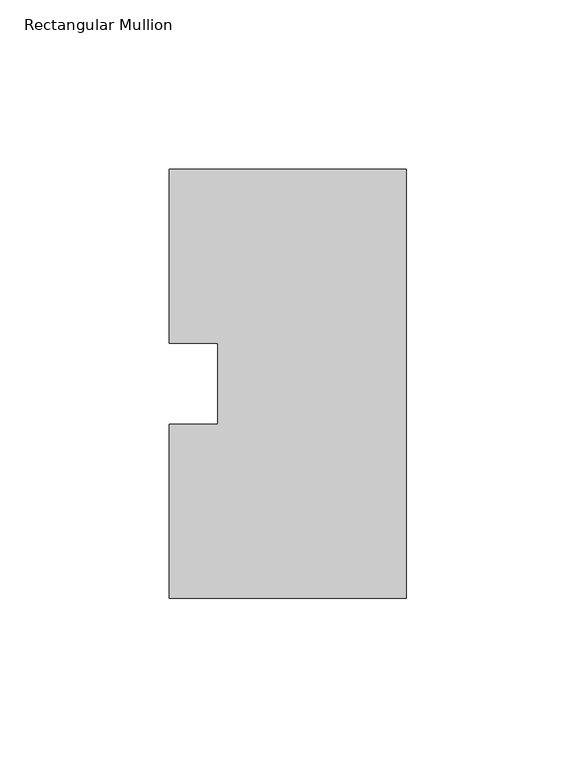
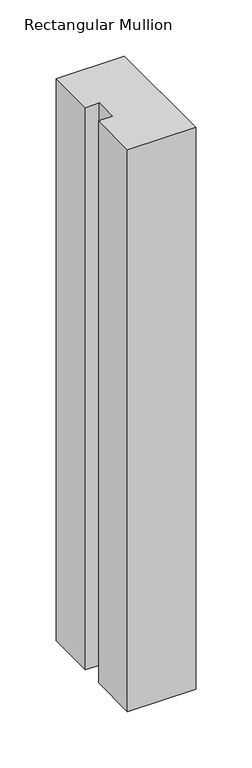
"""IFC4 building model written with IfcOpenShell, lengths in millimetres: member geometry, Rectangular Mullion."""

from ifc_helpers import new_model, si_unit, frame, origin, place, context, project, spatial, polyline, outline, extrude, source, transform, mapped, element, save


def rectangular_mullion_93dfd026(model_context):
    return source(origin(), model_context, "Body", "SweptSolid", [
        extrude(outline(polyline([(-69.85, 0.26035), (-69.85, 51.60645), (-55.5625, 51.60645), (-55.5625, 75.40625), (-69.85, 75.40625), (-69.85, 126.75235), (0.0, 126.75235), (0.0, 0.26035), (-69.85, 0.26035)])), frame((0.0, 0.0, -609.56825), z_axis=(0.0, 0.0, 1.0), x_axis=(1.0, 0.0, 0.0)), (0.0, 0.0, 1.0), 609.56825),
    ])


if __name__ == "__main__":
    model = new_model("IFC4")
    model_context = context("Model", 3, world=origin())
    ifc_project = project(units=[si_unit("LENGTHUNIT", "METRE", prefix="MILLI")], contexts=[model_context])
    site = spatial("IfcSite", under=ifc_project)
    building = spatial("IfcBuilding", under=site)
    placement = place(None, origin())
    rectangular_mullion_shape = rectangular_mullion_93dfd026(model_context)
    element("IfcMember", 1, ObjectType="Rectangular Mullion", at=placement, inside=building, context=model_context, shape_type="MappedRepresentation", body=[
        mapped(rectangular_mullion_shape, transform((0.0, 0.0, 0.0), x_axis=(1.0, 0.0, 0.0), y_axis=(0.0, 1.0, 0.0), z_axis=(0.0, 0.0, 1.0))),
    ])
    save(model, "model.ifc")
